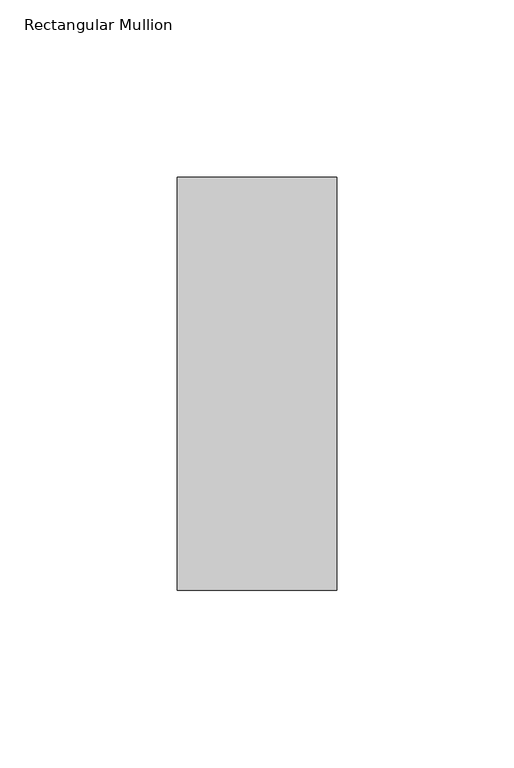
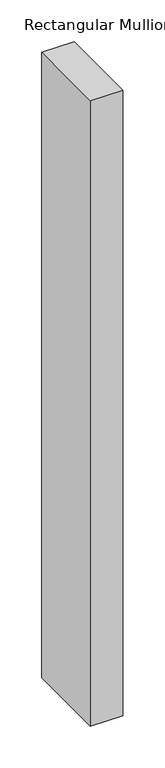
"""IFC4 building model written with IfcOpenShell, lengths in millimetres: member geometry, Rectangular Mullion."""

from ifc_helpers import new_model, si_unit, frame, origin, place, context, project, spatial, polyline, outline, extrude, source, transform, mapped, element, save


def rectangular_mullion_90890375(model_context):
    return source(origin(), model_context, "Body", "SweptSolid", [
        extrude(outline(polyline([(22.5226562, 73.875), (22.5226562, -42.8257813), (-22.5226562, -42.8257813), (-22.5226562, 73.875), (22.5226562, 73.875)])), frame((0.0, 0.0, -915.7171325), z_axis=(0.0, 0.0, 1.0), x_axis=(1.0, 0.0, 0.0)), (0.0, 0.0, 1.0), 915.7171325),
    ])


if __name__ == "__main__":
    model = new_model("IFC4")
    model_context = context("Model", 3, world=origin())
    ifc_project = project(units=[si_unit("LENGTHUNIT", "METRE", prefix="MILLI")], contexts=[model_context])
    site = spatial("IfcSite", under=ifc_project)
    building = spatial("IfcBuilding", under=site)
    placement = place(None, origin())
    rectangular_mullion_shape = rectangular_mullion_90890375(model_context)
    element("IfcMember", 1, ObjectType="Rectangular Mullion", at=placement, inside=building, context=model_context, shape_type="MappedRepresentation", body=[
        mapped(rectangular_mullion_shape, transform((0.0, 0.0, 0.0), x_axis=(1.0, 0.0, 0.0), y_axis=(0.0, 1.0, 0.0), z_axis=(0.0, 0.0, 1.0))),
    ])
    save(model, "model.ifc")
